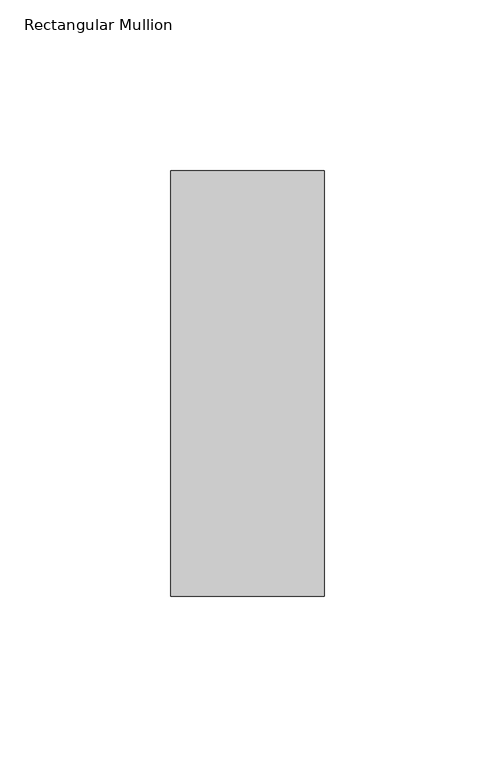
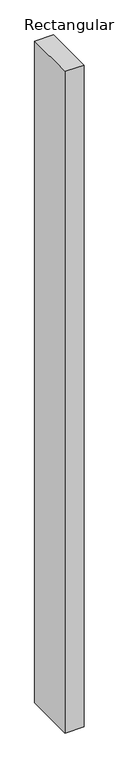
"""IFC4 building model written with IfcOpenShell, lengths in millimetres: member geometry, Rectangular Mullion."""

from ifc_helpers import new_model, si_unit, frame, origin, place, context, project, spatial, polyline, outline, extrude, source, transform, mapped, element, save


def rectangular_mullion_d9df8293(model_context):
    return source(origin(), model_context, "Body", "SweptSolid", [
        extrude(outline(polyline([(0.0, 77.84375), (0.0, -46.84375), (-45.0, -46.84375), (-45.0, 77.84375), (0.0, 77.84375)])), frame((0.0, 0.0, -1659.6779543), z_axis=(0.0, 0.0, 1.0), x_axis=(1.0, 0.0, 0.0)), (0.0, 0.0, 1.0), 1659.6779543),
    ])


if __name__ == "__main__":
    model = new_model("IFC4")
    model_context = context("Model", 3, world=origin())
    ifc_project = project(units=[si_unit("LENGTHUNIT", "METRE", prefix="MILLI")], contexts=[model_context])
    site = spatial("IfcSite", under=ifc_project)
    building = spatial("IfcBuilding", under=site)
    placement = place(None, origin())
    rectangular_mullion_shape = rectangular_mullion_d9df8293(model_context)
    element("IfcMember", 1, ObjectType="Rectangular Mullion", at=placement, inside=building, context=model_context, shape_type="MappedRepresentation", body=[
        mapped(rectangular_mullion_shape, transform((0.0, 0.0, 0.0), x_axis=(1.0, 0.0, 0.0), y_axis=(0.0, 1.0, 0.0), z_axis=(0.0, 0.0, 1.0))),
    ])
    save(model, "model.ifc")
